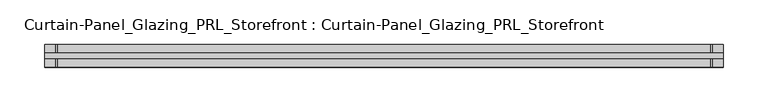
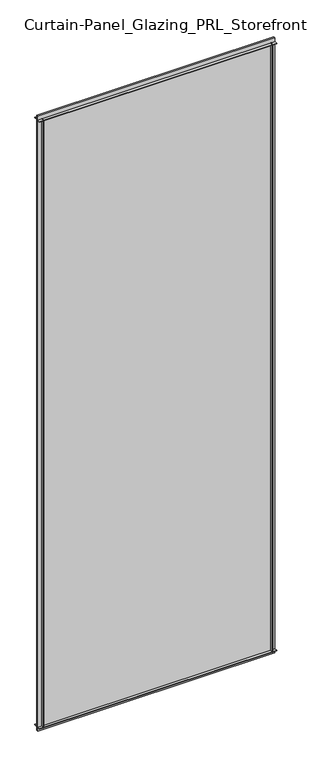
"""IFC4 building model written with IfcOpenShell, lengths in millimetres: plate geometry, Curtain-Panel_Glazing_PRL_Storefront : Curtain-Panel_Glazing_PRL_Storefront."""

from ifc_helpers import new_model, si_unit, frame, origin, origin_with_axes, place, context, project, spatial, polyline, outline, extrude, source, transform, mapped, element, save


def curtain_panel_glazing_prl_storefront_curtain_panel_glazing_984d84f2(model_context):
    return source(origin(), model_context, "Body", "SweptSolid", [
        extrude(outline(polyline([(386.8208333, -12.7), (385.2333333, -12.7), (385.2333333, -3.175), (386.8208333, -3.175), (386.8208333, -12.7)])), frame((0.0, 0.0, 12.7), z_axis=(0.0, 0.0, 1.0), x_axis=(1.0, 0.0, 0.0)), (0.0, 0.0, 1.0), 2060.575),
        extrude(outline(polyline([(386.8208333, 12.7), (386.8208333, 3.175), (385.2333333, 3.175), (385.2333333, 12.7), (386.8208333, 12.7)])), frame((0.0, 0.0, 12.7), z_axis=(0.0, 0.0, 1.0), x_axis=(1.0, 0.0, 0.0)), (0.0, 0.0, 1.0), 2060.575),
        extrude(outline(polyline([(-348.7208333, -12.7), (-348.7208333, -3.175), (-347.1333333, -3.175), (-347.1333333, -12.7), (-348.7208333, -12.7)])), frame((0.0, 0.0, 12.7), z_axis=(0.0, 0.0, 1.0), x_axis=(1.0, 0.0, 0.0)), (0.0, 0.0, 1.0), 2060.575),
        extrude(outline(polyline([(-348.7208333, 12.7), (-347.1333333, 12.7), (-347.1333333, 3.175), (-348.7208333, 3.175), (-348.7208333, 12.7)])), frame((0.0, 0.0, 12.7), z_axis=(0.0, 0.0, 1.0), x_axis=(1.0, 0.0, 0.0)), (0.0, 0.0, 1.0), 2060.575),
        extrude(outline(polyline([(399.5208333, 3.175), (399.5208333, -3.175), (-361.4208333, -3.175), (-361.4208333, 3.175), (399.5208333, 3.175)])), origin_with_axes(), (0.0, 0.0, 1.0), 2085.975),
        extrude(outline(polyline([(-361.4208333, -12.7), (-361.4208333, -3.175), (399.5208333, -3.175), (399.5208333, -12.7), (-361.4208333, -12.7)])), frame((0.0, 0.0, 2071.6875), z_axis=(0.0, 0.0, 1.0), x_axis=(1.0, 0.0, 0.0)), (0.0, 0.0, 1.0), 1.5875),
        extrude(outline(polyline([(-361.4208333, 12.7), (399.5208333, 12.7), (399.5208333, 3.175), (-361.4208333, 3.175), (-361.4208333, 12.7)])), frame((0.0, 0.0, 2071.6875), z_axis=(0.0, 0.0, 1.0), x_axis=(1.0, 0.0, 0.0)), (0.0, 0.0, 1.0), 1.5875),
        extrude(outline(polyline([(-361.4208333, -12.7), (-361.4208333, -3.175), (399.5208333, -3.175), (399.5208333, -12.7), (-361.4208333, -12.7)])), frame((0.0, 0.0, 12.7), z_axis=(0.0, 0.0, 1.0), x_axis=(1.0, 0.0, 0.0)), (0.0, 0.0, 1.0), 1.5875),
        extrude(outline(polyline([(-361.4208333, 12.7), (399.5208333, 12.7), (399.5208333, 3.175), (-361.4208333, 3.175), (-361.4208333, 12.7)])), frame((0.0, 0.0, 12.7), z_axis=(0.0, 0.0, 1.0), x_axis=(1.0, 0.0, 0.0)), (0.0, 0.0, 1.0), 1.5875),
    ])


if __name__ == "__main__":
    model = new_model("IFC4")
    model_context = context("Model", 3, world=origin())
    ifc_project = project(units=[si_unit("LENGTHUNIT", "METRE", prefix="MILLI")], contexts=[model_context])
    site = spatial("IfcSite", under=ifc_project)
    building = spatial("IfcBuilding", under=site)
    placement = place(None, origin())
    curtain_panel_glazing_prl_storefront_curtain_panel_glazing_shape = curtain_panel_glazing_prl_storefront_curtain_panel_glazing_984d84f2(model_context)
    element("IfcPlate", 1, ObjectType="Curtain-Panel_Glazing_PRL_Storefront : Curtain-Panel_Glazing_PRL_Storefront", at=placement, inside=building, context=model_context, shape_type="MappedRepresentation", body=[
        mapped(curtain_panel_glazing_prl_storefront_curtain_panel_glazing_shape, transform((0.0, 0.0, 0.0), x_axis=(1.0, 0.0, 0.0), y_axis=(0.0, 1.0, 0.0), z_axis=(0.0, 0.0, 1.0))),
    ])
    save(model, "model.ifc")
